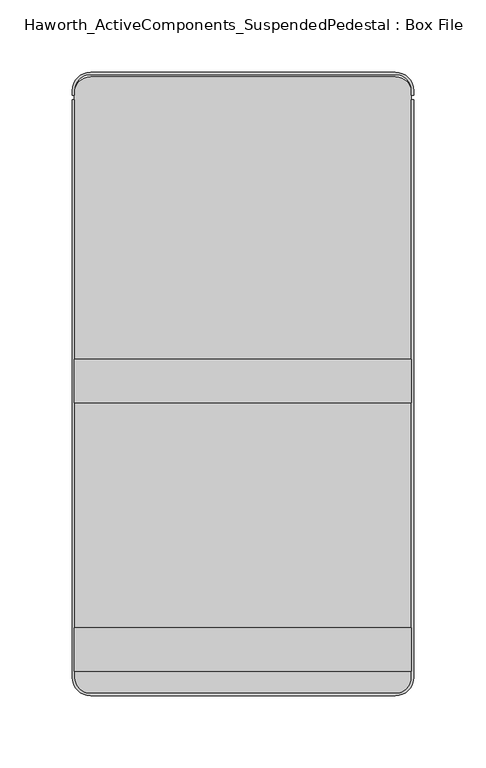
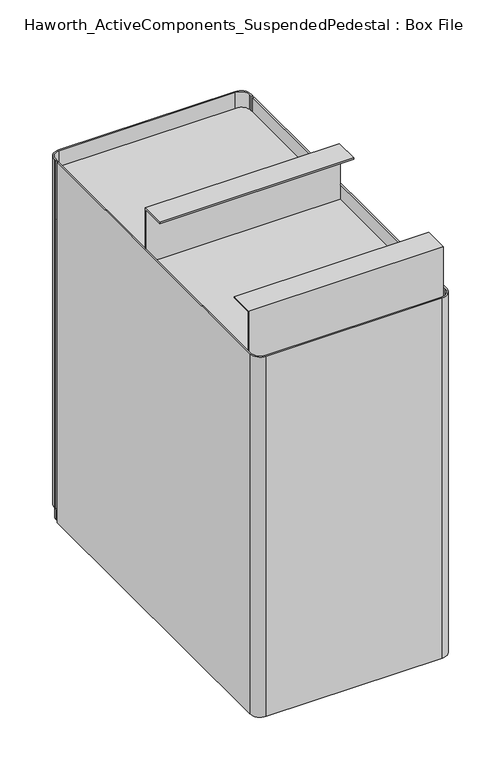
"""IFC4 building model written with IfcOpenShell, lengths in millimetres: furniture geometry, Haworth_ActiveComponents_SuspendedPedestal : Box File."""

from ifc_helpers import new_model, si_unit, point, frame, frame_2d, origin, place, context, project, spatial, polyline, circle_curve, trimmed, segment, composite_curve, outline, extrude, source, transform, mapped, element, save


def haworth_activecomponents_suspendedpedestal_box_file_76524297(model_context):
    return source(origin(), model_context, "Body", "SweptSolid", [
        extrude(outline(composite_curve([segment(polyline([(105.56875, 46.0375), (-105.56875, 46.0375)]), True, "CONTINUOUS"), segment(trimmed(circle_curve(frame_2d((-105.56875, 57.15)), 11.1125), [point((-105.56875, 46.0375))], [point((-116.68125, 57.15))], False, "CARTESIAN"), True, "CONTINUOUS"), segment(polyline([(-116.68125, 57.15), (-116.68125, 461.9625)]), True, "CONTINUOUS"), segment(trimmed(circle_curve(frame_2d((-105.56875, 461.9625)), 11.1125), [point((-116.68125, 461.9625))], [point((-105.56875, 473.075))], False, "CARTESIAN"), True, "CONTINUOUS"), segment(polyline([(-105.56875, 473.075), (105.56875, 473.075)]), True, "CONTINUOUS"), segment(trimmed(circle_curve(frame_2d((105.56875, 461.9625)), 11.1125), [point((105.56875, 473.075))], [point((116.68125, 461.9625))], False, "CARTESIAN"), True, "CONTINUOUS"), segment(polyline([(116.68125, 461.9625), (116.68125, 57.15)]), True, "CONTINUOUS"), segment(trimmed(circle_curve(frame_2d((105.56875, 57.15)), 11.1125), [point((116.68125, 57.15))], [point((105.56875, 46.0375))], False, "CARTESIAN"), True, "CONTINUOUS")], self_intersect=False)), frame((0.0, 0.0, 633.4124758), z_axis=(0.0, 0.0, 1.0), x_axis=(1.0, 0.0, 0.0)), (0.0, 0.0, 1.0), 1.5875),
        extrude(outline(composite_curve([segment(polyline([(105.56875, 46.0375), (-105.56875, 46.0375)]), True, "CONTINUOUS"), segment(trimmed(circle_curve(frame_2d((-105.56875, 57.15)), 11.1125), [point((-105.56875, 46.0375))], [point((-116.68125, 57.15))], False, "CARTESIAN"), True, "CONTINUOUS"), segment(polyline([(-116.68125, 57.15), (-116.68125, 461.9625)]), True, "CONTINUOUS"), segment(trimmed(circle_curve(frame_2d((-105.56875, 461.9625)), 11.1125), [point((-116.68125, 461.9625))], [point((-105.56875, 473.075))], False, "CARTESIAN"), True, "CONTINUOUS"), segment(polyline([(-105.56875, 473.075), (105.56875, 473.075)]), True, "CONTINUOUS"), segment(trimmed(circle_curve(frame_2d((105.56875, 461.9625)), 11.1125), [point((105.56875, 473.075))], [point((116.68125, 461.9625))], False, "CARTESIAN"), True, "CONTINUOUS"), segment(polyline([(116.68125, 461.9625), (116.68125, 57.15)]), True, "CONTINUOUS"), segment(trimmed(circle_curve(frame_2d((105.56875, 57.15)), 11.1125), [point((116.68125, 57.15))], [point((105.56875, 46.0375))], False, "CARTESIAN"), True, "CONTINUOUS")], self_intersect=False)), frame((0.0, 0.0, 212.725), z_axis=(0.0, 0.0, 1.0), x_axis=(1.0, 0.0, 0.0)), (0.0, 0.0, 1.0), 366.7125),
        extrude(outline(polyline([(277.3171814, 634.9999758), (275.7296814, 634.9999758), (275.7296814, 703.2625), (247.1546814, 703.2625), (247.1546814, 704.85), (277.3171814, 704.85), (277.3171814, 634.9999758)])), frame((-116.68125, 0.0, 0.0), z_axis=(1.0, 0.0, 0.0), x_axis=(0.0, 1.0, 0.0)), (0.0, 0.0, 1.0), 233.3625),
        extrude(outline(polyline([(61.4172056, 634.9999758), (61.4172056, 704.85), (91.5797056, 704.85), (91.5797056, 703.2625), (63.0047056, 703.2625), (63.0047056, 634.9999758), (61.4172056, 634.9999758)])), frame((-116.68125, 0.0, 0.0), z_axis=(1.0, 0.0, 0.0), x_axis=(0.0, 1.0, 0.0)), (0.0, 0.0, 1.0), 233.3625),
        extrude(outline(composite_curve([segment(trimmed(circle_curve(frame_2d((-105.56875, 463.55)), 12.7), [point((-118.26875, 463.55))], [point((-105.56875, 476.25))], False, "CARTESIAN"), True, "CONTINUOUS"), segment(polyline([(-105.56875, 476.25), (105.56875, 476.25)]), True, "CONTINUOUS"), segment(trimmed(circle_curve(frame_2d((105.56875, 463.55)), 12.7), [point((105.56875, 476.25))], [point((118.26875, 463.55))], False, "CARTESIAN"), True, "CONTINUOUS"), segment(polyline([(118.26875, 463.55), (118.26875, 460.375), (116.68125, 460.375), (116.68125, 463.55)]), True, "CONTINUOUS"), segment(trimmed(circle_curve(frame_2d((105.56875, 463.55)), 11.1125), [point((116.68125, 463.55))], [point((105.56875, 474.6625))], True, "CARTESIAN"), True, "CONTINUOUS"), segment(polyline([(105.56875, 474.6625), (-105.56875, 474.6625)]), True, "CONTINUOUS"), segment(trimmed(circle_curve(frame_2d((-105.56875, 463.55)), 11.1125), [point((-105.56875, 474.6625))], [point((-116.68125, 463.55))], True, "CARTESIAN"), True, "CONTINUOUS"), segment(polyline([(-116.68125, 463.55), (-116.68125, 460.375), (-118.26875, 460.375), (-118.26875, 463.55)]), True, "CONTINUOUS")], self_intersect=False)), frame((0.0, 0.0, 212.725), z_axis=(0.0, 0.0, 1.0), x_axis=(1.0, 0.0, 0.0)), (0.0, 0.0, 1.0), 441.325),
        extrude(outline(composite_curve([segment(polyline([(105.56875, 46.0375), (-105.56875, 46.0375)]), True, "CONTINUOUS"), segment(trimmed(circle_curve(frame_2d((-105.56875, 57.15)), 11.1125), [point((-105.56875, 46.0375))], [point((-116.68125, 57.15))], False, "CARTESIAN"), True, "CONTINUOUS"), segment(polyline([(-116.68125, 57.15), (-116.68125, 461.9625)]), True, "CONTINUOUS"), segment(trimmed(circle_curve(frame_2d((-105.56875, 461.9625)), 11.1125), [point((-116.68125, 461.9625))], [point((-105.56875, 473.075))], False, "CARTESIAN"), True, "CONTINUOUS"), segment(polyline([(-105.56875, 473.075), (105.56875, 473.075)]), True, "CONTINUOUS"), segment(trimmed(circle_curve(frame_2d((105.56875, 461.9625)), 11.1125), [point((105.56875, 473.075))], [point((116.68125, 461.9625))], False, "CARTESIAN"), True, "CONTINUOUS"), segment(polyline([(116.68125, 461.9625), (116.68125, 57.15)]), True, "CONTINUOUS"), segment(trimmed(circle_curve(frame_2d((105.56875, 57.15)), 11.1125), [point((116.68125, 57.15))], [point((105.56875, 46.0375))], False, "CARTESIAN"), True, "CONTINUOUS")], self_intersect=False)), frame((0.0, 0.0, 196.85), z_axis=(0.0, 0.0, 1.0), x_axis=(1.0, 0.0, 0.0)), (0.0, 0.0, 1.0), 12.7),
        extrude(outline(composite_curve([segment(polyline([(-118.26875, 57.15), (-118.26875, 457.2), (-116.68125, 457.2), (-116.68125, 57.15)]), True, "CONTINUOUS"), segment(trimmed(circle_curve(frame_2d((-105.56875, 57.15)), 11.1125), [point((-116.68125, 57.15))], [point((-105.56875, 46.0375))], True, "CARTESIAN"), True, "CONTINUOUS"), segment(polyline([(-105.56875, 46.0375), (105.56875, 46.0375)]), True, "CONTINUOUS"), segment(trimmed(circle_curve(frame_2d((105.56875, 57.15)), 11.1125), [point((105.56875, 46.0375))], [point((116.68125, 57.15))], True, "CARTESIAN"), True, "CONTINUOUS"), segment(polyline([(116.68125, 57.15), (116.68125, 457.2), (118.26875, 457.2), (118.26875, 57.15)]), True, "CONTINUOUS"), segment(trimmed(circle_curve(frame_2d((105.56875, 57.15)), 12.7), [point((118.26875, 57.15))], [point((105.56875, 44.45))], False, "CARTESIAN"), True, "CONTINUOUS"), segment(polyline([(105.56875, 44.45), (-105.56875, 44.45)]), True, "CONTINUOUS"), segment(trimmed(circle_curve(frame_2d((-105.56875, 57.15)), 12.7), [point((-105.56875, 44.45))], [point((-118.26875, 57.15))], False, "CARTESIAN"), True, "CONTINUOUS")], self_intersect=False)), frame((0.0, 0.0, 196.85), z_axis=(0.0, 0.0, 1.0), x_axis=(1.0, 0.0, 0.0)), (0.0, 0.0, 1.0), 457.2),
    ])


if __name__ == "__main__":
    model = new_model("IFC4")
    model_context = context("Model", 3, world=origin())
    ifc_project = project(units=[si_unit("LENGTHUNIT", "METRE", prefix="MILLI")], contexts=[model_context])
    site = spatial("IfcSite", under=ifc_project)
    building = spatial("IfcBuilding", under=site)
    placement = place(None, origin())
    haworth_activecomponents_suspendedpedestal_box_file_shape = haworth_activecomponents_suspendedpedestal_box_file_76524297(model_context)
    element("IfcFurniture", 1, ObjectType="Haworth_ActiveComponents_SuspendedPedestal : Box File", at=placement, inside=building, context=model_context, shape_type="MappedRepresentation", body=[
        mapped(haworth_activecomponents_suspendedpedestal_box_file_shape, transform((0.0, 0.0, 0.0), x_axis=(1.0, 0.0, 0.0), y_axis=(0.0, 1.0, 0.0), z_axis=(0.0, 0.0, 1.0))),
    ])
    save(model, "model.ifc")
